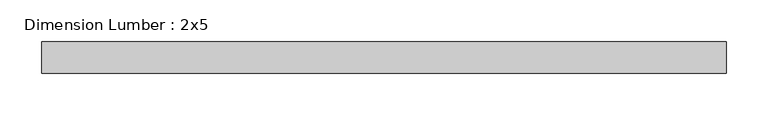
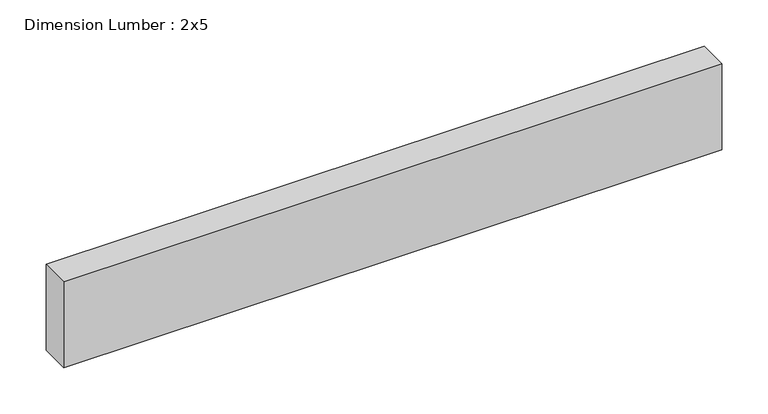
"""IFC4 building model written with IfcOpenShell, lengths in millimetres: beam geometry, Dimension Lumber : 2x5."""

from ifc_helpers import new_model, si_unit, frame, origin, place, context, project, spatial, polyline, outline, extrude, source, transform, mapped, element, save


def dimension_lumber_2x5_8731aa81(model_context):
    return source(origin(), model_context, "Body", "SweptSolid", [
        extrude(outline(polyline([(412.1803616, 19.05), (412.1803616, -19.05), (-412.1803616, -19.05), (-412.1803616, 19.05), (412.1803616, 19.05)])), frame((0.0, 0.0, -57.15), z_axis=(0.0, 0.0, 1.0), x_axis=(1.0, 0.0, 0.0)), (0.0, 0.0, 1.0), 114.3),
    ])


if __name__ == "__main__":
    model = new_model("IFC4")
    model_context = context("Model", 3, world=origin())
    ifc_project = project(units=[si_unit("LENGTHUNIT", "METRE", prefix="MILLI")], contexts=[model_context])
    site = spatial("IfcSite", under=ifc_project)
    building = spatial("IfcBuilding", under=site)
    placement = place(None, origin())
    dimension_lumber_2x5_shape = dimension_lumber_2x5_8731aa81(model_context)
    element("IfcBeam", 1, ObjectType="Dimension Lumber : 2x5", at=placement, inside=building, context=model_context, shape_type="MappedRepresentation", body=[
        mapped(dimension_lumber_2x5_shape, transform((0.0, 0.0, 0.0), x_axis=(1.0, 0.0, 0.0), y_axis=(0.0, 1.0, 0.0), z_axis=(0.0, 0.0, 1.0))),
    ])
    save(model, "model.ifc")
